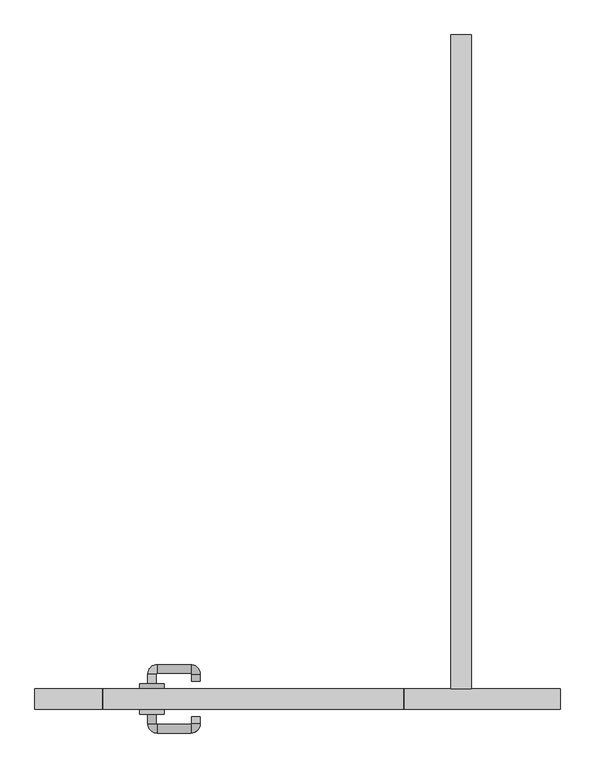
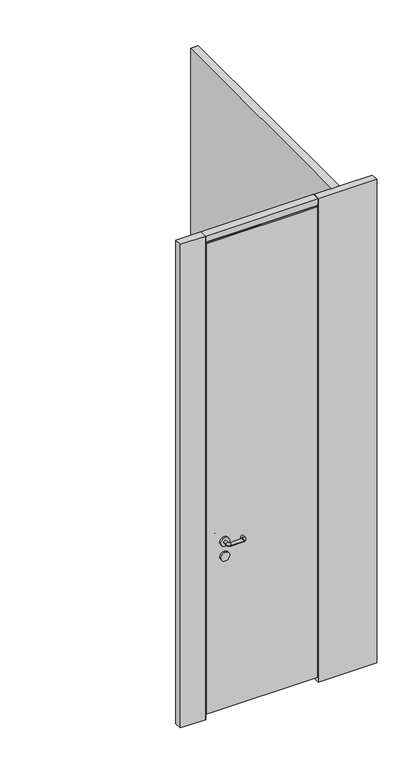
"""IFC4 building model written with IfcOpenShell, lengths in millimetres: proxy geometry."""

from ifc_helpers import new_model, si_unit, point, frame, frame_2d, origin, origin_with_axes, place, context, project, spatial, polyline, circle_curve, ellipse_curve, trimmed, segment, composite_curve, outline, extrude, source, transform, mapped, element, save
from ifc_brep_helpers import plane_surface, cylinder_surface, revolved_surface, advanced_brep


def specialty_equipment_418302e2(model_context):
    return source(origin(), model_context, "Body", "SolidModel", [
        extrude(outline(composite_curve([segment(trimmed(circle_curve(frame_2d((914.8272444, -262.0)), 25.0), [point((914.8272444, -287.0))], [point((914.8272444, -237.0))], False, "CARTESIAN"), True, "CONTINUOUS"), segment(trimmed(circle_curve(frame_2d((914.8272444, -262.0)), 25.0), [point((914.8272444, -237.0))], [point((914.8272444, -287.0))], False, "CARTESIAN"), True, "CONTINUOUS")], self_intersect=False)), frame((0.0, 42.0, 0.0), z_axis=(0.0, 1.0, 0.0), x_axis=(0.0, 0.0, 1.0)), (0.0, 0.0, 1.0), 10.0),
        advanced_brep(
        [(-253.25, 52.0, 1000.0), (-270.75, 52.0, 1000.0), (-270.75, 72.0, 1000.0), (-253.25, 72.0, 1000.0), (-252.0, 73.25, 1000.0), (-252.0, 90.75, 1000.0), (-182.0, 90.75, 1000.0), (-182.0, 73.25, 1000.0), (-180.75, 72.0, 1000.0), (-163.25, 72.0, 1000.0), (-180.75, 57.0, 1000.0), (-163.25, 57.0, 1000.0)],
        [
            (0, 1, circle_curve(frame((-262.0, 52.0, 1000.0), z_axis=(0.0, -1.0, 0.0), x_axis=(-1.0, 0.0, 0.0)), 8.75)),
            (1, 0, circle_curve(frame((-262.0, 52.0, 1000.0), z_axis=(0.0, -1.0, 0.0), x_axis=(-1.0, 0.0, 0.0)), 8.75)),
            (1, 2),
            (2, 3, circle_curve(frame((-262.0, 72.0, 1000.0), z_axis=(0.0, -1.0, 0.0), x_axis=(-1.0, 0.0, 0.0)), 8.75)),
            (3, 0),
            (3, 2, circle_curve(frame((-262.0, 72.0, 1000.0), z_axis=(0.0, -1.0, 0.0), x_axis=(-1.0, 0.0, 0.0)), 8.75)),
            (4, 3, circle_curve(frame((-252.0, 72.0, 1000.0), z_axis=(0.0, 0.0, 1.0), x_axis=(-1.0, 0.0, 0.0)), 1.25)),
            (2, 5, circle_curve(frame((-252.0, 72.0, 1000.0), z_axis=(0.0, 0.0, -1.0), x_axis=(-1.0, 0.0, 0.0)), 18.75)),
            (5, 4, circle_curve(frame((-252.0, 82.0, 1000.0), z_axis=(-1.0, 0.0, 0.0), x_axis=(0.0, 1.0, 0.0)), 8.75)),
            (4, 5, circle_curve(frame((-252.0, 82.0, 1000.0), z_axis=(-1.0, 0.0, 0.0), x_axis=(0.0, 1.0, 0.0)), 8.75)),
            (5, 6),
            (6, 7, circle_curve(frame((-182.0, 82.0, 1000.0), z_axis=(-1.0, 0.0, 0.0), x_axis=(0.0, 1.0, 0.0)), 8.75)),
            (7, 4),
            (7, 6, circle_curve(frame((-182.0, 82.0, 1000.0), z_axis=(-1.0, 0.0, 0.0), x_axis=(0.0, 1.0, 0.0)), 8.75)),
            (8, 7, circle_curve(frame((-182.0, 72.0, 1000.0), z_axis=(0.0, 0.0, 1.0), x_axis=(0.0, 1.0, 0.0)), 1.25)),
            (6, 9, circle_curve(frame((-182.0, 72.0, 1000.0), z_axis=(0.0, 0.0, -1.0), x_axis=(0.0, 1.0, 0.0)), 18.75)),
            (9, 8, circle_curve(frame((-172.0, 72.0, 1000.0), z_axis=(0.0, 1.0, 0.0), x_axis=(1.0, 0.0, 0.0)), 8.75)),
            (8, 9, circle_curve(frame((-172.0, 72.0, 1000.0), z_axis=(0.0, 1.0, 0.0), x_axis=(1.0, 0.0, 0.0)), 8.75)),
            (10, 11, circle_curve(frame((-172.0, 57.0, 1000.0), z_axis=(0.0, -1.0, 0.0), x_axis=(1.0, 0.0, 0.0)), 8.75)),
            (11, 10, circle_curve(frame((-172.0, 57.0, 1000.0), z_axis=(0.0, -1.0, 0.0), x_axis=(1.0, 0.0, 0.0)), 8.75)),
            (9, 11),
            (10, 8),
        ],
        [
            plane_surface(frame((-262.0, 52.0, 1000.0), z_axis=(0.0, -1.0, 0.0), x_axis=(0.0, 0.0, 1.0))),
            cylinder_surface(frame((-262.0, 52.0, 1000.0), z_axis=(0.0, -1.0, 0.0), x_axis=(-1.0, 0.0, 0.0)), 8.75),
            revolved_surface(trimmed(ellipse_curve(frame((-262.0, 72.0, 1000.0), z_axis=(0.0, -1.0, 0.0), x_axis=(-1.0, 0.0, 0.0)), 8.75, 8.75), [point((-270.75, 72.0, 1000.0))], [point((-253.25, 72.0, 1000.0))], True, "CARTESIAN"), (-252.0, 72.0, 1000.0), (0.0, 0.0, -1.0)),
            revolved_surface(trimmed(ellipse_curve(frame((-262.0, 72.0, 1000.0), z_axis=(0.0, -1.0, 0.0), x_axis=(-1.0, 0.0, 0.0)), 8.75, 8.75), [point((-253.25, 72.0, 1000.0))], [point((-270.75, 72.0, 1000.0))], True, "CARTESIAN"), (-252.0, 72.0, 1000.0), (0.0, 0.0, -1.0)),
            cylinder_surface(frame((-252.0, 82.0, 1000.0), z_axis=(-1.0, 0.0, 0.0), x_axis=(0.0, 1.0, 0.0)), 8.75),
            revolved_surface(trimmed(ellipse_curve(frame((-182.0, 82.0, 1000.0), z_axis=(-1.0, 0.0, 0.0), x_axis=(0.0, 1.0, 0.0)), 8.75, 8.75), [point((-182.0, 90.75, 1000.0))], [point((-182.0, 73.25, 1000.0))], True, "CARTESIAN"), (-182.0, 72.0, 1000.0), (0.0, 0.0, -1.0)),
            revolved_surface(trimmed(ellipse_curve(frame((-182.0, 82.0, 1000.0), z_axis=(-1.0, 0.0, 0.0), x_axis=(0.0, 1.0, 0.0)), 8.75, 8.75), [point((-182.0, 73.25, 1000.0))], [point((-182.0, 90.75, 1000.0))], True, "CARTESIAN"), (-182.0, 72.0, 1000.0), (0.0, 0.0, -1.0)),
            plane_surface(frame((-172.0, 57.0, 1000.0), z_axis=(0.0, -1.0, 0.0), x_axis=(0.0, 0.0, 1.0))),
            cylinder_surface(frame((-172.0, 72.0, 1000.0), z_axis=(0.0, 1.0, 0.0), x_axis=(1.0, 0.0, 0.0)), 8.75),
        ],
        [
            (0, [[1, 2]]),
            (1, [[-2, 3, 4, 5]]),
            (1, [[-1, -5, 6, -3]]),
            (2, [[7, -4, 8, 9]]),
            (3, [[-8, -6, -7, 10]]),
            (4, [[-9, 11, 12, 13]]),
            (4, [[-10, -13, 14, -11]]),
            (5, [[15, -12, 16, 17]]),
            (6, [[-16, -14, -15, 18]]),
            (7, [[19, 20]]),
            (8, [[-17, 21, -19, 22]]),
            (8, [[-18, -22, -20, -21]]),
        ],
    ),
        extrude(outline(composite_curve([segment(trimmed(circle_curve(frame_2d((1000.0, -262.0)), 25.0), [point((1000.0, -287.0))], [point((1000.0, -237.0))], False, "CARTESIAN"), True, "CONTINUOUS"), segment(trimmed(circle_curve(frame_2d((1000.0, -262.0)), 25.0), [point((1000.0, -237.0))], [point((1000.0, -287.0))], False, "CARTESIAN"), True, "CONTINUOUS")], self_intersect=False)), frame((0.0, 42.0, 0.0), z_axis=(0.0, 1.0, 0.0), x_axis=(0.0, 0.0, 1.0)), (0.0, 0.0, 1.0), 10.0),
        extrude(outline(composite_curve([segment(trimmed(circle_curve(frame_2d((914.8272444, -262.0)), 25.0), [point((914.8272444, -287.0))], [point((914.8272444, -237.0))], False, "CARTESIAN"), True, "CONTINUOUS"), segment(trimmed(circle_curve(frame_2d((914.8272444, -262.0)), 25.0), [point((914.8272444, -237.0))], [point((914.8272444, -287.0))], False, "CARTESIAN"), True, "CONTINUOUS")], self_intersect=False)), frame((0.0, -10.0, 0.0), z_axis=(0.0, 1.0, 0.0), x_axis=(0.0, 0.0, 1.0)), (0.0, 0.0, 1.0), 10.0),
        advanced_brep(
        [(-270.75, -10.0, 1000.0), (-253.25, -10.0, 1000.0), (-270.75, -30.0, 1000.0), (-253.25, -30.0, 1000.0), (-252.0, -31.25, 1000.0), (-252.0, -48.75, 1000.0), (-182.0, -48.75, 1000.0), (-182.0, -31.25, 1000.0), (-180.75, -30.0, 1000.0), (-163.25, -30.0, 1000.0), (-163.25, -15.0, 1000.0), (-180.75, -15.0, 1000.0)],
        [
            (0, 1, circle_curve(frame((-262.0, -10.0, 1000.0), z_axis=(0.0, 1.0, 0.0), x_axis=(1.0, 0.0, 0.0)), 8.75)),
            (1, 0, circle_curve(frame((-262.0, -10.0, 1000.0), z_axis=(0.0, 1.0, 0.0), x_axis=(1.0, 0.0, 0.0)), 8.75)),
            (0, 2),
            (2, 3, circle_curve(frame((-262.0, -30.0, 1000.0), z_axis=(0.0, 1.0, 0.0), x_axis=(1.0, 0.0, 0.0)), 8.75)),
            (3, 1),
            (3, 2, circle_curve(frame((-262.0, -30.0, 1000.0), z_axis=(0.0, 1.0, 0.0), x_axis=(1.0, 0.0, 0.0)), 8.75)),
            (4, 3, circle_curve(frame((-252.0, -30.0, 1000.0), z_axis=(0.0, 0.0, -1.0), x_axis=(-1.0, 0.0, 0.0)), 1.25)),
            (2, 5, circle_curve(frame((-252.0, -30.0, 1000.0), z_axis=(0.0, 0.0, 1.0), x_axis=(-1.0, 0.0, 0.0)), 18.75)),
            (5, 4, circle_curve(frame((-252.0, -40.0, 1000.0), z_axis=(-1.0, 0.0, 0.0), x_axis=(0.0, 1.0, 0.0)), 8.75)),
            (4, 5, circle_curve(frame((-252.0, -40.0, 1000.0), z_axis=(-1.0, 0.0, 0.0), x_axis=(0.0, 1.0, 0.0)), 8.75)),
            (5, 6),
            (6, 7, circle_curve(frame((-182.0, -40.0, 1000.0), z_axis=(-1.0, 0.0, 0.0), x_axis=(0.0, 1.0, 0.0)), 8.75)),
            (7, 4),
            (7, 6, circle_curve(frame((-182.0, -40.0, 1000.0), z_axis=(-1.0, 0.0, 0.0), x_axis=(0.0, 1.0, 0.0)), 8.75)),
            (8, 7, circle_curve(frame((-182.0, -30.0, 1000.0), z_axis=(0.0, 0.0, -1.0), x_axis=(0.0, -1.0, 0.0)), 1.25)),
            (6, 9, circle_curve(frame((-182.0, -30.0, 1000.0), z_axis=(0.0, 0.0, 1.0), x_axis=(0.0, -1.0, 0.0)), 18.75)),
            (9, 8, circle_curve(frame((-172.0, -30.0, 1000.0), z_axis=(0.0, -1.0, 0.0), x_axis=(-1.0, 0.0, 0.0)), 8.75)),
            (8, 9, circle_curve(frame((-172.0, -30.0, 1000.0), z_axis=(0.0, -1.0, 0.0), x_axis=(-1.0, 0.0, 0.0)), 8.75)),
            (10, 11, circle_curve(frame((-172.0, -15.0, 1000.0), z_axis=(0.0, 1.0, 0.0), x_axis=(-1.0, 0.0, 0.0)), 8.75)),
            (11, 10, circle_curve(frame((-172.0, -15.0, 1000.0), z_axis=(0.0, 1.0, 0.0), x_axis=(-1.0, 0.0, 0.0)), 8.75)),
            (9, 10),
            (11, 8),
        ],
        [
            plane_surface(frame((-262.0, -10.0, 1000.0), z_axis=(0.0, 1.0, 0.0), x_axis=(0.0, 0.0, 1.0))),
            cylinder_surface(frame((-262.0, -10.0, 1000.0), z_axis=(0.0, 1.0, 0.0), x_axis=(1.0, 0.0, 0.0)), 8.75),
            revolved_surface(trimmed(ellipse_curve(frame((-262.0, -30.0, 1000.0), z_axis=(0.0, 1.0, 0.0), x_axis=(1.0, 0.0, 0.0)), 8.75, 8.75), [point((-270.75, -30.0, 1000.0))], [point((-253.25, -30.0, 1000.0))], True, "CARTESIAN"), (-252.0, -30.0, 1000.0), (0.0, 0.0, 1.0)),
            revolved_surface(trimmed(ellipse_curve(frame((-262.0, -30.0, 1000.0), z_axis=(0.0, 1.0, 0.0), x_axis=(1.0, 0.0, 0.0)), 8.75, 8.75), [point((-253.25, -30.0, 1000.0))], [point((-270.75, -30.0, 1000.0))], True, "CARTESIAN"), (-252.0, -30.0, 1000.0), (0.0, 0.0, 1.0)),
            cylinder_surface(frame((-252.0, -40.0, 1000.0), z_axis=(-1.0, 0.0, 0.0), x_axis=(0.0, 1.0, 0.0)), 8.75),
            revolved_surface(trimmed(ellipse_curve(frame((-182.0, -40.0, 1000.0), z_axis=(-1.0, 0.0, 0.0), x_axis=(0.0, 1.0, 0.0)), 8.75, 8.75), [point((-182.0, -48.75, 1000.0))], [point((-182.0, -31.25, 1000.0))], True, "CARTESIAN"), (-182.0, -30.0, 1000.0), (0.0, 0.0, 1.0)),
            revolved_surface(trimmed(ellipse_curve(frame((-182.0, -40.0, 1000.0), z_axis=(-1.0, 0.0, 0.0), x_axis=(0.0, 1.0, 0.0)), 8.75, 8.75), [point((-182.0, -31.25, 1000.0))], [point((-182.0, -48.75, 1000.0))], True, "CARTESIAN"), (-182.0, -30.0, 1000.0), (0.0, 0.0, 1.0)),
            plane_surface(frame((-172.0, -15.0, 1000.0), z_axis=(0.0, 1.0, 0.0), x_axis=(0.0, 0.0, 1.0))),
            cylinder_surface(frame((-172.0, -30.0, 1000.0), z_axis=(0.0, -1.0, 0.0), x_axis=(-1.0, 0.0, 0.0)), 8.75),
        ],
        [
            (0, [[1, 2]]),
            (1, [[-1, 3, 4, 5]]),
            (1, [[-2, -5, 6, -3]]),
            (2, [[7, -4, 8, 9]]),
            (3, [[-8, -6, -7, 10]]),
            (4, [[-9, 11, 12, 13]]),
            (4, [[-10, -13, 14, -11]]),
            (5, [[15, -12, 16, 17]]),
            (6, [[-16, -14, -15, 18]]),
            (7, [[19, 20]]),
            (8, [[-17, 21, -20, 22]]),
            (8, [[-18, -22, -19, -21]]),
        ],
    ),
        extrude(outline(composite_curve([segment(trimmed(circle_curve(frame_2d((1000.0, -262.0)), 25.0), [point((1000.0, -287.0))], [point((1000.0, -237.0))], False, "CARTESIAN"), True, "CONTINUOUS"), segment(trimmed(circle_curve(frame_2d((1000.0, -262.0)), 25.0), [point((1000.0, -237.0))], [point((1000.0, -287.0))], False, "CARTESIAN"), True, "CONTINUOUS")], self_intersect=False)), frame((0.0, -10.0, 0.0), z_axis=(0.0, 1.0, 0.0), x_axis=(0.0, 0.0, 1.0)), (0.0, 0.0, 1.0), 10.0),
        extrude(outline(polyline([(253.0, 0.0), (-362.0, 0.0), (-362.0, 42.0), (253.0, 42.0), (253.0, 0.0)])), frame((0.0, 0.0, 2762.0), z_axis=(0.0, 0.0, 1.0), x_axis=(1.0, 0.0, 0.0)), (0.0, 0.0, 1.0), 1.3),
        extrude(outline(polyline([(253.0, 0.0), (-362.0, 0.0), (-362.0, 42.0), (253.0, 42.0), (253.0, 0.0)])), frame((0.0, 0.0, 2763.3), z_axis=(0.0, 0.0, 1.0), x_axis=(1.0, 0.0, 0.0)), (0.0, 0.0, 1.0), 36.7),
        extrude(outline(polyline([(-360.7, 42.0), (-360.7, 0.0), (-362.0, 0.0), (-362.0, 42.0), (-360.7, 42.0)])), frame((0.0, 0.0, 30.0), z_axis=(0.0, 0.0, 1.0), x_axis=(1.0, 0.0, 0.0)), (0.0, 0.0, 1.0), 2724.5),
        extrude(outline(polyline([(251.7, 42.0), (253.0, 42.0), (253.0, 0.0), (251.7, 0.0), (251.7, 42.0)])), frame((0.0, 0.0, 30.0), z_axis=(0.0, 0.0, 1.0), x_axis=(1.0, 0.0, 0.0)), (0.0, 0.0, 1.0), 2724.5),
        extrude(outline(polyline([(251.7, 42.0), (251.7, 0.0), (-360.7, 0.0), (-360.7, 42.0), (251.7, 42.0)])), frame((0.0, 0.0, 30.0), z_axis=(0.0, 0.0, 1.0), x_axis=(1.0, 0.0, 0.0)), (0.0, 0.0, 1.0), 2724.5),
        extrude(outline(polyline([(-363.3, 42.0), (-362.0, 42.0), (-362.0, 0.0), (-363.3, 0.0), (-363.3, 42.0)])), origin_with_axes(), (0.0, 0.0, 1.0), 2800.0),
        extrude(outline(polyline([(254.3, 42.0), (254.3, 0.0), (253.0, 0.0), (253.0, 42.0), (254.3, 42.0)])), origin_with_axes(), (0.0, 0.0, 1.0), 2800.0),
        extrude(outline(polyline([(350.5, 42.0), (350.5, 1380.0), (392.5, 1380.0), (392.5, 42.0), (350.5, 42.0)])), origin_with_axes(), (0.0, 0.0, 1.0), 2800.0),
        extrude(outline(polyline([(574.0, 0.0), (254.3, 0.0), (254.3, 42.0), (574.0, 42.0), (574.0, 0.0)])), origin_with_axes(), (0.0, 0.0, 1.0), 2800.0),
        extrude(outline(polyline([(-502.0, 42.0), (-363.3, 42.0), (-363.3, 0.0), (-502.0, 0.0), (-502.0, 42.0)])), origin_with_axes(), (0.0, 0.0, 1.0), 2800.0),
    ])


if __name__ == "__main__":
    model = new_model("IFC4")
    model_context = context("Model", 3, world=origin())
    ifc_project = project(units=[si_unit("LENGTHUNIT", "METRE", prefix="MILLI")], contexts=[model_context])
    site = spatial("IfcSite", under=ifc_project)
    building = spatial("IfcBuilding", under=site)
    placement = place(None, origin())
    specialty_equipment_shape = specialty_equipment_418302e2(model_context)
    element("IfcBuildingElementProxy", 1, Name="Specialty Equipment", at=placement, inside=building, context=model_context, shape_type="MappedRepresentation", body=[
        mapped(specialty_equipment_shape, transform((0.0, 0.0, 0.0), x_axis=(1.0, 0.0, 0.0), y_axis=(0.0, 1.0, 0.0), z_axis=(0.0, 0.0, 1.0))),
    ])
    save(model, "model.ifc")
